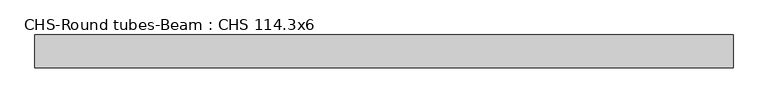
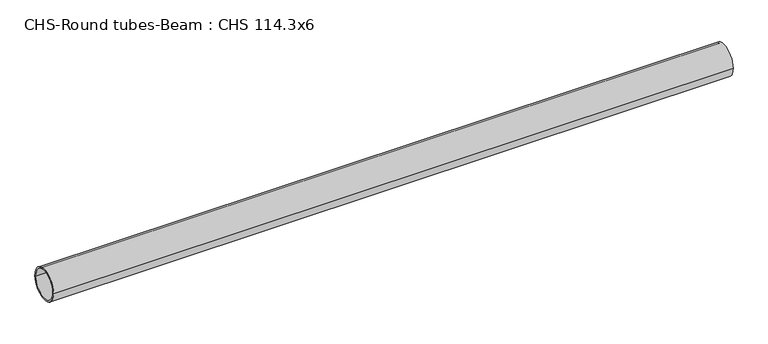
"""IFC4 building model written with IfcOpenShell, lengths in millimetres: beam geometry, CHS-Round tubes-Beam : CHS 114.3x6."""

from ifc_helpers import new_model, si_unit, point, frame, origin, origin_2d, place, context, project, spatial, circle_curve, trimmed, segment, composite_curve, outline, extrude, source, transform, mapped, element, save


def chs_round_tubes_beam_chs_114_3x6_b460da55(model_context):
    return source(origin(), model_context, "Body", "SweptSolid", [
        extrude(outline(composite_curve([segment(trimmed(circle_curve(origin_2d(), 57.15), [point((57.15, 0.0))], [point((-57.15, 0.0))], False, "CARTESIAN"), True, "CONTINUOUS"), segment(trimmed(circle_curve(origin_2d(), 57.15), [point((-57.15, 0.0))], [point((57.15, 0.0))], False, "CARTESIAN"), True, "CONTINUOUS")], self_intersect=False), holes=[composite_curve([segment(trimmed(circle_curve(origin_2d(), 51.15), [point((51.15, 0.0))], [point((-51.15, 0.0))], True, "CARTESIAN"), True, "CONTINUOUS"), segment(trimmed(circle_curve(origin_2d(), 51.15), [point((-51.15, 0.0))], [point((51.15, 0.0))], True, "CARTESIAN"), True, "CONTINUOUS")], self_intersect=False)]), frame((-1181.5571704, 0.0, 0.0), z_axis=(1.0, 0.0, 0.0), x_axis=(0.0, 1.0, 0.0)), (0.0, 0.0, 1.0), 2423.0298777),
    ])


if __name__ == "__main__":
    model = new_model("IFC4")
    model_context = context("Model", 3, world=origin())
    ifc_project = project(units=[si_unit("LENGTHUNIT", "METRE", prefix="MILLI")], contexts=[model_context])
    site = spatial("IfcSite", under=ifc_project)
    building = spatial("IfcBuilding", under=site)
    placement = place(None, origin())
    chs_round_tubes_beam_chs_114_3x6_shape = chs_round_tubes_beam_chs_114_3x6_b460da55(model_context)
    element("IfcBeam", 1, ObjectType="CHS-Round tubes-Beam : CHS 114.3x6", at=placement, inside=building, context=model_context, shape_type="MappedRepresentation", body=[
        mapped(chs_round_tubes_beam_chs_114_3x6_shape, transform((0.0, 0.0, 0.0), x_axis=(1.0, 0.0, 0.0), y_axis=(0.0, 1.0, 0.0), z_axis=(0.0, 0.0, 1.0))),
    ])
    save(model, "model.ifc")
